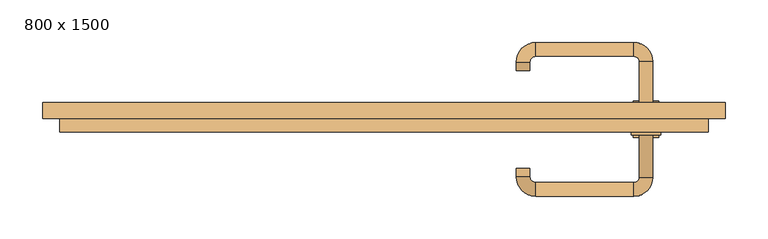
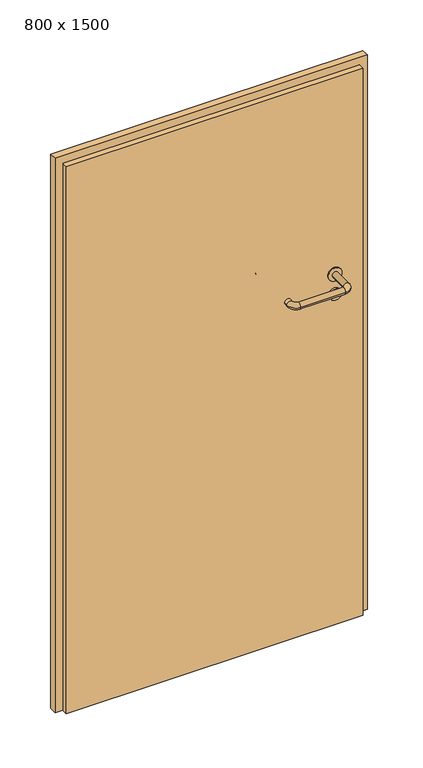
"""IFC4 building model written with IfcOpenShell, lengths in millimetres: door geometry, 800 x 1500."""

from ifc_helpers import new_model, si_unit, point, frame, frame_2d, origin, origin_with_axes, place, context, project, spatial, polyline, circle_curve, ellipse_curve, trimmed, segment, composite_curve, outline, extrude, source, transform, mapped, element, save
from ifc_brep_helpers import plane_surface, cylinder_surface, revolved_surface, advanced_brep


def door_800_x_1500_c093990a(model_context):
    return source(origin(), model_context, "Body", "SolidModel", [
        extrude(outline(composite_curve([segment(trimmed(circle_curve(frame_2d((897.3605726, 307.0)), 15.0), [point((897.3605726, 322.0))], [point((897.3605726, 292.0))], False, "CARTESIAN"), True, "CONTINUOUS"), segment(trimmed(circle_curve(frame_2d((897.3605726, 307.0)), 15.0), [point((897.3605726, 292.0))], [point((897.3605726, 322.0))], False, "CARTESIAN"), True, "CONTINUOUS")], self_intersect=False), holes=[composite_curve([segment(trimmed(circle_curve(frame_2d((892.5833211, 306.9398032)), 2.0), [point((892.5833211, 308.9398032))], [point((892.5833211, 304.9398032))], True, "CARTESIAN"), True, "CONTINUOUS"), segment(polyline([(892.5833211, 304.9398032), (902.5833211, 304.9398032)]), True, "CONTINUOUS"), segment(trimmed(circle_curve(frame_2d((902.5833211, 306.9398032)), 2.0), [point((902.5833211, 304.9398032))], [point((902.5833211, 308.9398032))], True, "CARTESIAN"), True, "CONTINUOUS"), segment(polyline([(902.5833211, 308.9398032), (892.5833211, 308.9398032)]), True, "CONTINUOUS")], self_intersect=False)]), frame((0.0, -31.35, 0.0), z_axis=(0.0, 1.0, 0.0), x_axis=(0.0, 0.0, 1.0)), (0.0, 0.0, 1.0), 6.35),
        extrude(outline(composite_curve([segment(trimmed(circle_curve(frame_2d((950.0, 307.0)), 17.526), [point((950.0, 324.526))], [point((950.0, 289.474))], False, "CARTESIAN"), True, "CONTINUOUS"), segment(trimmed(circle_curve(frame_2d((950.0, 307.0)), 17.526), [point((950.0, 289.474))], [point((950.0, 324.526))], False, "CARTESIAN"), True, "CONTINUOUS")], self_intersect=False)), frame((0.0, -28.175, 0.0), z_axis=(0.0, 1.0, 0.0), x_axis=(0.0, 0.0, 1.0)), (0.0, 0.0, 1.0), 3.175),
        advanced_brep(
        [(315.0, -25.0, 950.0), (299.0, -25.0, 950.0), (299.0, -78.0, 950.0), (315.0, -78.0, 950.0), (292.8578644, -84.1421356, 950.0), (292.8578644, -100.1421356, 950.0), (177.8578644, -84.1421356, 950.0), (177.8578644, -100.1421356, 950.0), (171.008622, -77.2928932, 950.0), (155.008622, -77.2928932, 950.0), (155.008622, -67.2928932, 950.0), (171.008622, -67.2928932, 950.0)],
        [
            (0, 1, circle_curve(frame((307.0, -25.0, 950.0), z_axis=(0.0, 1.0, 0.0), x_axis=(-1.0, 0.0, 0.0)), 8.0)),
            (1, 0, circle_curve(frame((307.0, -25.0, 950.0), z_axis=(0.0, 1.0, 0.0), x_axis=(-1.0, 0.0, 0.0)), 8.0)),
            (1, 2),
            (2, 3, circle_curve(frame((307.0, -78.0, 950.0), z_axis=(0.0, 1.0, 0.0), x_axis=(-1.0, 0.0, 0.0)), 8.0)),
            (3, 0),
            (3, 2, circle_curve(frame((307.0, -78.0, 950.0), z_axis=(0.0, 1.0, 0.0), x_axis=(-1.0, 0.0, 0.0)), 8.0)),
            (4, 5, circle_curve(frame((292.8578644, -92.1421356, 950.0), z_axis=(1.0, 0.0, 0.0), x_axis=(0.0, 1.0, 0.0)), 8.0)),
            (5, 3, circle_curve(frame((292.8578644, -78.0, 950.0), z_axis=(0.0, 0.0, 1.0), x_axis=(1.0, 0.0, 0.0)), 22.1421356)),
            (2, 4, circle_curve(frame((292.8578644, -78.0, 950.0), z_axis=(0.0, 0.0, -1.0), x_axis=(1.0, 0.0, 0.0)), 6.1421356)),
            (5, 4, circle_curve(frame((292.8578644, -92.1421356, 950.0), z_axis=(1.0, 0.0, 0.0), x_axis=(0.0, 1.0, 0.0)), 8.0)),
            (4, 6),
            (6, 7, circle_curve(frame((177.8578644, -92.1421356, 950.0), z_axis=(1.0, 0.0, 0.0), x_axis=(0.0, 1.0, 0.0)), 8.0)),
            (7, 5),
            (7, 6, circle_curve(frame((177.8578644, -92.1421356, 950.0), z_axis=(1.0, 0.0, 0.0), x_axis=(0.0, 1.0, 0.0)), 8.0)),
            (8, 9, circle_curve(frame((163.008622, -77.2928932, 950.0), z_axis=(0.0, -1.0, 0.0), x_axis=(1.0, 0.0, 0.0)), 8.0)),
            (9, 7, circle_curve(frame((177.8578644, -77.2928932, 950.0), z_axis=(0.0, 0.0, 1.0), x_axis=(0.0, -1.0, 0.0)), 22.8492424)),
            (6, 8, circle_curve(frame((177.8578644, -77.2928932, 950.0), z_axis=(0.0, 0.0, -1.0), x_axis=(0.0, -1.0, 0.0)), 6.8492424)),
            (9, 8, circle_curve(frame((163.008622, -77.2928932, 950.0), z_axis=(0.0, -1.0, 0.0), x_axis=(1.0, 0.0, 0.0)), 8.0)),
            (10, 11, circle_curve(frame((163.008622, -67.2928932, 950.0), z_axis=(0.0, 1.0, 0.0), x_axis=(1.0, 0.0, 0.0)), 8.0)),
            (11, 10, circle_curve(frame((163.008622, -67.2928932, 950.0), z_axis=(0.0, 1.0, 0.0), x_axis=(1.0, 0.0, 0.0)), 8.0)),
            (8, 11),
            (10, 9),
        ],
        [
            plane_surface(frame((307.0, -25.0, 0.0), z_axis=(0.0, 1.0, 0.0), x_axis=(0.0, 0.0, 1.0))),
            cylinder_surface(frame((307.0, -25.0, 950.0), z_axis=(0.0, 1.0, 0.0), x_axis=(-1.0, 0.0, 0.0)), 8.0),
            revolved_surface(trimmed(ellipse_curve(frame((307.0, -78.0, 950.0), z_axis=(0.0, -1.0, 0.0), x_axis=(-1.0, 0.0, 0.0)), 8.0, 8.0), [point((315.0, -78.0, 950.0))], [point((299.0, -78.0, 950.0))], True, "CARTESIAN"), (292.8578644, -78.0, 0.0), (0.0, 0.0, 1.0)),
            revolved_surface(trimmed(ellipse_curve(frame((307.0, -78.0, 950.0), z_axis=(0.0, -1.0, 0.0), x_axis=(-1.0, 0.0, 0.0)), 8.0, 8.0), [point((299.0, -78.0, 950.0))], [point((315.0, -78.0, 950.0))], True, "CARTESIAN"), (292.8578644, -78.0, 0.0), (0.0, 0.0, 1.0)),
            cylinder_surface(frame((292.8578644, -92.1421356, 950.0), z_axis=(1.0, 0.0, 0.0), x_axis=(0.0, 1.0, 0.0)), 8.0),
            revolved_surface(trimmed(ellipse_curve(frame((177.8578644, -92.1421356, 950.0), z_axis=(-1.0, 0.0, 0.0), x_axis=(0.0, 1.0, 0.0)), 8.0, 8.0), [point((177.8578644, -100.1421356, 950.0))], [point((177.8578644, -84.1421356, 950.0))], True, "CARTESIAN"), (177.8578644, -77.2928932, 0.0), (0.0, 0.0, 1.0)),
            revolved_surface(trimmed(ellipse_curve(frame((177.8578644, -92.1421356, 950.0), z_axis=(-1.0, 0.0, 0.0), x_axis=(0.0, 1.0, 0.0)), 8.0, 8.0), [point((177.8578644, -84.1421356, 950.0))], [point((177.8578644, -100.1421356, 950.0))], True, "CARTESIAN"), (177.8578644, -77.2928932, 0.0), (0.0, 0.0, 1.0)),
            plane_surface(frame((163.008622, -67.2928932, 0.0), z_axis=(0.0, 1.0, 0.0), x_axis=(0.0, 0.0, 1.0))),
            cylinder_surface(frame((163.008622, -77.2928932, 950.0), z_axis=(0.0, -1.0, 0.0), x_axis=(1.0, 0.0, 0.0)), 8.0),
        ],
        [
            (0, [[1, 2]]),
            (1, [[3, 4, 5, -2]]),
            (1, [[-5, 6, -3, -1]]),
            (2, [[7, 8, -4, 9]]),
            (3, [[10, -9, -6, -8]]),
            (4, [[11, 12, 13, -7]]),
            (4, [[-13, 14, -11, -10]]),
            (5, [[15, 16, -12, 17]]),
            (6, [[18, -17, -14, -16]]),
            (7, [[19, 20]]),
            (8, [[21, -19, 22, -15]]),
            (8, [[-22, -20, -21, -18]]),
        ],
    ),
        extrude(outline(composite_curve([segment(trimmed(circle_curve(frame_2d((0.0, -15.0)), 15.0), [point((0.0, -30.0))], [point((0.0, 0.0))], False, "CARTESIAN"), True, "CONTINUOUS"), segment(trimmed(circle_curve(frame_2d((0.0, -15.0)), 15.0), [point((0.0, 0.0))], [point((0.0, -30.0))], False, "CARTESIAN"), True, "CONTINUOUS")], self_intersect=False), holes=[composite_curve([segment(trimmed(circle_curve(frame_2d((4.7772515, -14.9398032)), 2.0), [point((4.7772515, -16.9398032))], [point((4.7772515, -12.9398032))], True, "CARTESIAN"), True, "CONTINUOUS"), segment(polyline([(4.7772515, -12.9398032), (-5.2227485, -12.9398032)]), True, "CONTINUOUS"), segment(trimmed(circle_curve(frame_2d((-5.2227485, -14.9398032)), 2.0), [point((-5.2227485, -12.9398032))], [point((-5.2227485, -16.9398032))], True, "CARTESIAN"), True, "CONTINUOUS"), segment(polyline([(-5.2227485, -16.9398032), (4.7772515, -16.9398032)]), True, "CONTINUOUS")], self_intersect=False)]), frame((292.0, 5.0, 897.3605726), z_axis=(1.8870575173328306e-12, 1.0, 0.0), x_axis=(0.0, 0.0, -1.0)), (0.0, 0.0, 1.0), 6.35),
        extrude(outline(composite_curve([segment(trimmed(circle_curve(frame_2d((0.0, -17.526)), 17.526), [point((0.0, -35.052))], [point((0.0, 0.0))], False, "CARTESIAN"), True, "CONTINUOUS"), segment(trimmed(circle_curve(frame_2d((0.0, -17.526)), 17.526), [point((0.0, 0.0))], [point((0.0, -35.052))], False, "CARTESIAN"), True, "CONTINUOUS")], self_intersect=False)), frame((289.474, 5.0, 950.0), z_axis=(1.8870575173328306e-12, 1.0, 0.0), x_axis=(0.0, 0.0, -1.0)), (0.0, 0.0, 1.0), 3.175),
        advanced_brep(
        [(315.0, 5.0, 950.0), (299.0, 5.0, 950.0), (315.0, 58.0, 950.0), (299.0, 58.0, 950.0), (292.8578644, 64.1421356, 950.0), (292.8578644, 80.1421356, 950.0), (177.8578644, 80.1421356, 950.0), (177.8578644, 64.1421356, 950.0), (171.008622, 57.2928932, 950.0), (155.008622, 57.2928932, 950.0), (155.008622, 47.2928932, 950.0), (171.008622, 47.2928932, 950.0)],
        [
            (0, 1, circle_curve(frame((307.0, 5.0, 950.0), z_axis=(-1.888672253512351e-12, -1.0, 0.0), x_axis=(-1.0, 1.888672253512351e-12, 0.0)), 8.0)),
            (1, 0, circle_curve(frame((307.0, 5.0, 950.0), z_axis=(-1.888672253512351e-12, -1.0, 0.0), x_axis=(-1.0, 1.888672253512351e-12, 0.0)), 8.0)),
            (0, 2),
            (2, 3, circle_curve(frame((307.0, 58.0, 950.0), z_axis=(-1.888672253512351e-12, -1.0, 0.0), x_axis=(-1.0, 1.888672253512351e-12, 0.0)), 8.0)),
            (3, 1),
            (3, 2, circle_curve(frame((307.0, 58.0, 950.0), z_axis=(-1.888672253512351e-12, -1.0, 0.0), x_axis=(-1.0, 1.888672253512351e-12, 0.0)), 8.0)),
            (4, 3, circle_curve(frame((292.8578644, 58.0, 950.0), z_axis=(0.0, 0.0, -1.0), x_axis=(1.0, -1.880717803715015e-12, 0.0)), 6.1421356)),
            (2, 5, circle_curve(frame((292.8578644, 58.0, 950.0), z_axis=(0.0, 0.0, 1.0), x_axis=(1.0, -1.880717803715015e-12, 0.0)), 22.1421356)),
            (5, 4, circle_curve(frame((292.8578644, 72.1421356, 950.0), z_axis=(1.0, -1.913702061528922e-12, 0.0), x_axis=(-1.913702061528922e-12, -1.0, 0.0)), 8.0)),
            (4, 5, circle_curve(frame((292.8578644, 72.1421356, 950.0), z_axis=(1.0, -1.913702061528922e-12, 0.0), x_axis=(-1.913702061528922e-12, -1.0, 0.0)), 8.0)),
            (5, 6),
            (6, 7, circle_curve(frame((177.8578644, 72.1421356, 950.0), z_axis=(1.0, -1.913719828541269e-12, 0.0), x_axis=(-1.913719828541269e-12, -1.0, 0.0)), 8.0)),
            (7, 4),
            (7, 6, circle_curve(frame((177.8578644, 72.1421356, 950.0), z_axis=(1.0, -1.913719828541269e-12, 0.0), x_axis=(-1.913719828541269e-12, -1.0, 0.0)), 8.0)),
            (8, 7, circle_curve(frame((177.8578644, 57.2928932, 950.0), z_axis=(0.0, 0.0, -1.0), x_axis=(1.9120873253494017e-12, 1.0, 0.0)), 6.8492424)),
            (6, 9, circle_curve(frame((177.8578644, 57.2928932, 950.0), z_axis=(0.0, 0.0, 1.0), x_axis=(1.9120873253494017e-12, 1.0, 0.0)), 22.8492424)),
            (9, 8, circle_curve(frame((163.008622, 57.2928932, 950.0), z_axis=(1.890448610351751e-12, 1.0, 0.0), x_axis=(1.0, -1.890448610351751e-12, 0.0)), 8.0)),
            (8, 9, circle_curve(frame((163.008622, 57.2928932, 950.0), z_axis=(1.8888942981172756e-12, 1.0, 0.0), x_axis=(1.0, -1.8888942981172756e-12, 0.0)), 8.0)),
            (10, 11, circle_curve(frame((163.008622, 47.2928932, 950.0), z_axis=(-1.8903642334018795e-12, -1.0, 0.0), x_axis=(1.0, -1.8903642334018795e-12, 0.0)), 8.0)),
            (11, 10, circle_curve(frame((163.008622, 47.2928932, 950.0), z_axis=(-1.8903642334018795e-12, -1.0, 0.0), x_axis=(1.0, -1.8903642334018795e-12, 0.0)), 8.0)),
            (9, 10),
            (11, 8),
        ],
        [
            plane_surface(frame((307.0, 5.0, 0.0), z_axis=(-1.8870575173328306e-12, -1.0, 0.0), x_axis=(0.0, 0.0, 1.0))),
            cylinder_surface(frame((307.0, 5.0, 950.0), z_axis=(-1.888672253512351e-12, -1.0, 0.0), x_axis=(-1.0, 1.888672253512351e-12, 0.0)), 8.0),
            revolved_surface(trimmed(ellipse_curve(frame((307.0, 58.0, 950.0), z_axis=(-1.8823325398945356e-12, -1.0, 0.0), x_axis=(-1.0, 1.8823325398945356e-12, 0.0)), 8.0, 8.0), [point((315.0, 58.0, 950.0))], [point((299.0, 58.0, 950.0))], True, "CARTESIAN"), (292.8578644, 58.0, 0.0), (0.0, 0.0, 1.0)),
            revolved_surface(trimmed(ellipse_curve(frame((307.0, 58.0, 950.0), z_axis=(-1.8823325398945356e-12, -1.0, 0.0), x_axis=(-1.0, 1.8823325398945356e-12, 0.0)), 8.0, 8.0), [point((299.0, 58.0, 950.0))], [point((315.0, 58.0, 950.0))], True, "CARTESIAN"), (292.8578644, 58.0, 0.0), (0.0, 0.0, 1.0)),
            cylinder_surface(frame((292.8578644, 72.1421356, 950.0), z_axis=(1.0, -1.913719828541269e-12, 0.0), x_axis=(-1.913719828541269e-12, -1.0, 0.0)), 8.0),
            revolved_surface(trimmed(ellipse_curve(frame((177.8578644, 72.1421356, 950.0), z_axis=(1.0, -1.913702061528922e-12, 0.0), x_axis=(-1.913702061528922e-12, -1.0, 0.0)), 8.0, 8.0), [point((177.8578644, 80.1421356, 950.0))], [point((177.8578644, 64.1421356, 950.0))], True, "CARTESIAN"), (177.8578644, 57.2928932, 0.0), (0.0, 0.0, 1.0)),
            revolved_surface(trimmed(ellipse_curve(frame((177.8578644, 72.1421356, 950.0), z_axis=(1.0, -1.913702061528922e-12, 0.0), x_axis=(-1.913702061528922e-12, -1.0, 0.0)), 8.0, 8.0), [point((177.8578644, 64.1421356, 950.0))], [point((177.8578644, 80.1421356, 950.0))], True, "CARTESIAN"), (177.8578644, 57.2928932, 0.0), (0.0, 0.0, 1.0)),
            plane_surface(frame((163.008622, 47.2928932, 0.0), z_axis=(-1.8887494972223595e-12, -1.0, 0.0), x_axis=(0.0, 0.0, 1.0))),
            cylinder_surface(frame((163.008622, 57.2928932, 950.0), z_axis=(1.8903642334018795e-12, 1.0, 0.0), x_axis=(1.0, -1.8903642334018795e-12, 0.0)), 8.0),
        ],
        [
            (0, [[1, 2]]),
            (1, [[-1, 3, 4, 5]]),
            (1, [[-2, -5, 6, -3]]),
            (2, [[7, -4, 8, 9]]),
            (3, [[-8, -6, -7, 10]]),
            (4, [[-9, 11, 12, 13]]),
            (4, [[-10, -13, 14, -11]]),
            (5, [[15, -12, 16, 17]]),
            (6, [[-16, -14, -15, 18]]),
            (7, [[19, 20]]),
            (8, [[-17, 21, -20, 22]]),
            (8, [[-18, -22, -19, -21]]),
        ],
    ),
        extrude(outline(polyline([(1480.0, 380.0), (0.0, 380.0), (0.0, 400.0), (1500.0, 400.0), (1500.0, -400.0), (0.0, -400.0), (0.0, -380.0), (1480.0, -380.0), (1480.0, 380.0)])), frame((0.0, -9.0, 0.0), z_axis=(0.0, 1.0, 0.0), x_axis=(0.0, 0.0, 1.0)), (0.0, 0.0, 1.0), 19.0),
        extrude(outline(polyline([(-380.0, 5.0), (380.0, 5.0), (380.0, -25.0), (-380.0, -25.0), (-380.0, 5.0)])), origin_with_axes(), (0.0, 0.0, 1.0), 1480.0),
    ])


if __name__ == "__main__":
    model = new_model("IFC4")
    model_context = context("Model", 3, world=origin())
    ifc_project = project(units=[si_unit("LENGTHUNIT", "METRE", prefix="MILLI")], contexts=[model_context])
    site = spatial("IfcSite", under=ifc_project)
    building = spatial("IfcBuilding", under=site)
    placement = place(None, origin())
    door_800_x_1500_shape = door_800_x_1500_c093990a(model_context)
    element("IfcDoor", 1, ObjectType="800 x 1500", at=placement, inside=building, context=model_context, shape_type="MappedRepresentation", body=[
        mapped(door_800_x_1500_shape, transform((0.0, 0.0, 0.0), x_axis=(1.0, 0.0, 0.0), y_axis=(0.0, 1.0, 0.0), z_axis=(0.0, 0.0, 1.0))),
    ])
    save(model, "model.ifc")
